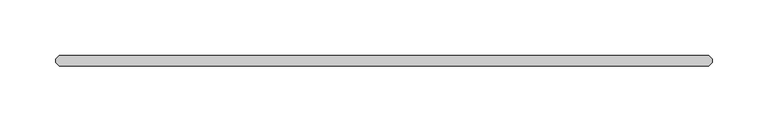
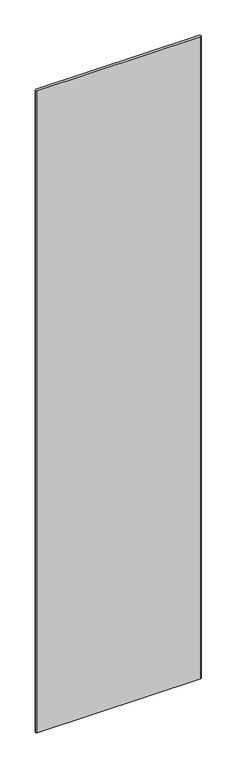
"""IFC4 building model written with IfcOpenShell, lengths in millimetres: plate geometry."""

from ifc_helpers import new_model, si_unit, origin, origin_with_axes, place, context, project, spatial, polyline, outline, extrude, source, transform, mapped, element, save


def plate_cf1be8f5(model_context):
    return source(origin(), model_context, "Body", "SweptSolid", [
        extrude(outline(polyline([(292.496875, 34.925), (295.671875, 31.75), (295.671875, 28.575), (292.496875, 25.4), (-292.496875, 25.4), (-295.671875, 28.575), (-295.671875, 31.75), (-292.496875, 34.925), (292.496875, 34.925)])), origin_with_axes(), (0.0, 0.0, 1.0), 2428.7789267),
    ])


if __name__ == "__main__":
    model = new_model("IFC4")
    model_context = context("Model", 3, world=origin())
    ifc_project = project(units=[si_unit("LENGTHUNIT", "METRE", prefix="MILLI")], contexts=[model_context])
    site = spatial("IfcSite", under=ifc_project)
    building = spatial("IfcBuilding", under=site)
    placement = place(None, origin())
    plate_shape = plate_cf1be8f5(model_context)
    element("IfcPlate", 1, at=placement, inside=building, context=model_context, shape_type="MappedRepresentation", body=[
        mapped(plate_shape, transform((0.0, 0.0, 0.0), x_axis=(1.0, 0.0, 0.0), y_axis=(0.0, 1.0, 0.0), z_axis=(0.0, 0.0, 1.0))),
    ])
    save(model, "model.ifc")
